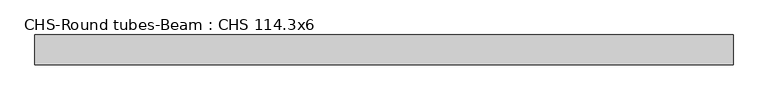
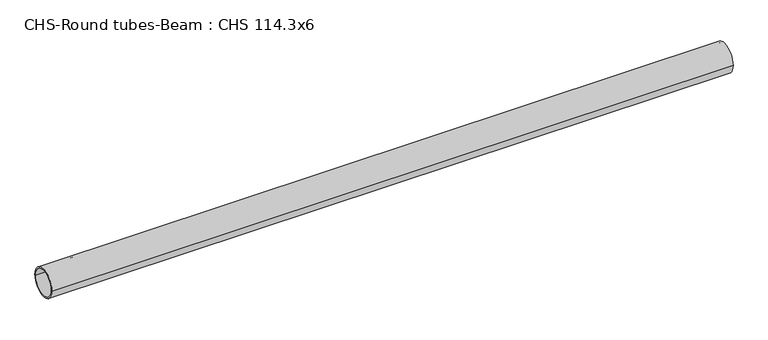
"""IFC4 building model written with IfcOpenShell, lengths in millimetres: beam geometry, CHS-Round tubes-Beam : CHS 114.3x6."""

from ifc_helpers import new_model, si_unit, point, frame, origin, origin_2d, place, context, project, spatial, circle_curve, trimmed, segment, composite_curve, outline, extrude, source, transform, mapped, element, save


def chs_round_tubes_beam_chs_114_3x6_49b07362(model_context):
    return source(origin(), model_context, "Body", "SweptSolid", [
        extrude(outline(composite_curve([segment(trimmed(circle_curve(origin_2d(), 57.15), [point((57.15, 0.0))], [point((-57.15, 0.0))], False, "CARTESIAN"), True, "CONTINUOUS"), segment(trimmed(circle_curve(origin_2d(), 57.15), [point((-57.15, 0.0))], [point((57.15, 0.0))], False, "CARTESIAN"), True, "CONTINUOUS")], self_intersect=False), holes=[composite_curve([segment(trimmed(circle_curve(origin_2d(), 51.15), [point((51.15, 0.0))], [point((-51.15, 0.0))], True, "CARTESIAN"), True, "CONTINUOUS"), segment(trimmed(circle_curve(origin_2d(), 51.15), [point((-51.15, 0.0))], [point((51.15, 0.0))], True, "CARTESIAN"), True, "CONTINUOUS")], self_intersect=False)]), frame((-1331.9709168, 0.0, 0.0), z_axis=(1.0, 0.0, 0.0), x_axis=(0.0, 1.0, 0.0)), (0.0, 0.0, 1.0), 2674.6505377),
    ])


if __name__ == "__main__":
    model = new_model("IFC4")
    model_context = context("Model", 3, world=origin())
    ifc_project = project(units=[si_unit("LENGTHUNIT", "METRE", prefix="MILLI")], contexts=[model_context])
    site = spatial("IfcSite", under=ifc_project)
    building = spatial("IfcBuilding", under=site)
    placement = place(None, origin())
    chs_round_tubes_beam_chs_114_3x6_shape = chs_round_tubes_beam_chs_114_3x6_49b07362(model_context)
    element("IfcBeam", 1, ObjectType="CHS-Round tubes-Beam : CHS 114.3x6", at=placement, inside=building, context=model_context, shape_type="MappedRepresentation", body=[
        mapped(chs_round_tubes_beam_chs_114_3x6_shape, transform((0.0, 0.0, 0.0), x_axis=(1.0, 0.0, 0.0), y_axis=(0.0, 1.0, 0.0), z_axis=(0.0, 0.0, 1.0))),
    ])
    save(model, "model.ifc")
